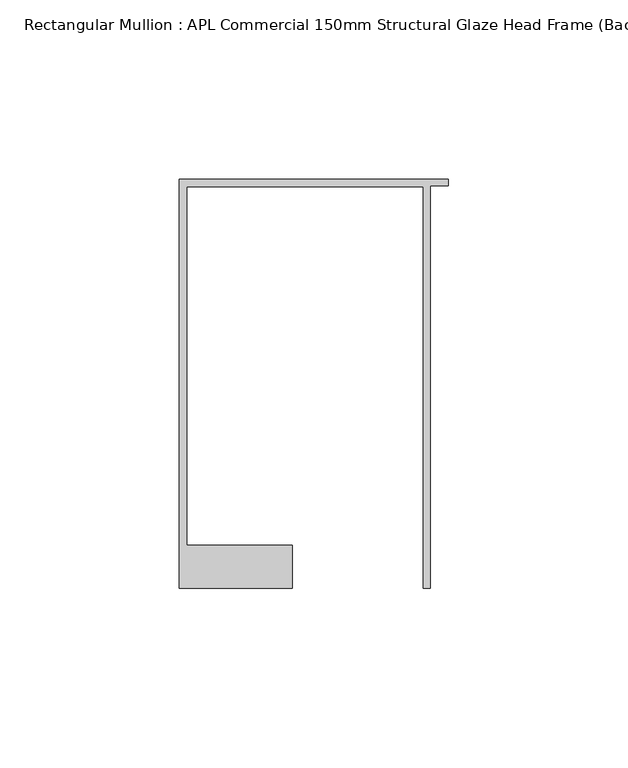
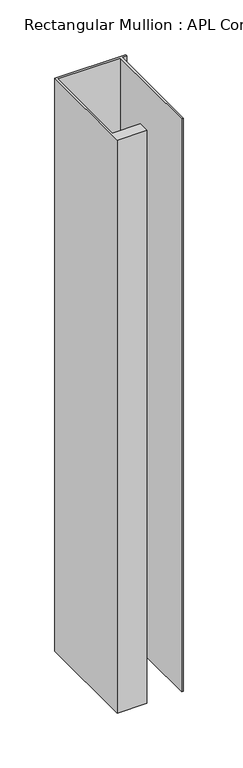
"""IFC4 building model written with IfcOpenShell, lengths in millimetres: member geometry, Rectangular Mullion : APL Commercial 150mm Structural Glaze Head Frame (Back)."""

from ifc_helpers import new_model, si_unit, frame, origin, place, context, project, spatial, polyline, outline, extrude, source, transform, mapped, element, save


def rectangular_mullion_apl_commercial_150mm_structural_glaze_71d59f83(model_context):
    return source(origin(), model_context, "Body", "SweptSolid", [
        extrude(outline(polyline([(-75.0, 128.9993063), (0.0, 128.9993063), (0.0, 127.1993063), (-5.0, 127.1993063), (-5.0, 14.9998342), (-7.0, 14.9998342), (-7.0, 126.9993063), (-73.0, 126.9993063), (-73.0, 26.9997514), (-43.5000151, 26.9997514), (-43.5000151, 14.9998342), (-75.0, 14.9998342), (-75.0, 128.9993063)])), frame((0.0, 0.0, -638.9872059), z_axis=(0.0, 0.0, 1.0), x_axis=(1.0, 0.0, 0.0)), (0.0, 0.0, 1.0), 638.9872059),
    ])


if __name__ == "__main__":
    model = new_model("IFC4")
    model_context = context("Model", 3, world=origin())
    ifc_project = project(units=[si_unit("LENGTHUNIT", "METRE", prefix="MILLI")], contexts=[model_context])
    site = spatial("IfcSite", under=ifc_project)
    building = spatial("IfcBuilding", under=site)
    placement = place(None, origin())
    rectangular_mullion_apl_commercial_150mm_structural_glaze_shape = rectangular_mullion_apl_commercial_150mm_structural_glaze_71d59f83(model_context)
    element("IfcMember", 1, ObjectType="Rectangular Mullion : APL Commercial 150mm Structural Glaze Head Frame (Back)", at=placement, inside=building, context=model_context, shape_type="MappedRepresentation", body=[
        mapped(rectangular_mullion_apl_commercial_150mm_structural_glaze_shape, transform((0.0, 0.0, 0.0), x_axis=(1.0, 0.0, 0.0), y_axis=(0.0, 1.0, 0.0), z_axis=(0.0, 0.0, 1.0))),
    ])
    save(model, "model.ifc")
